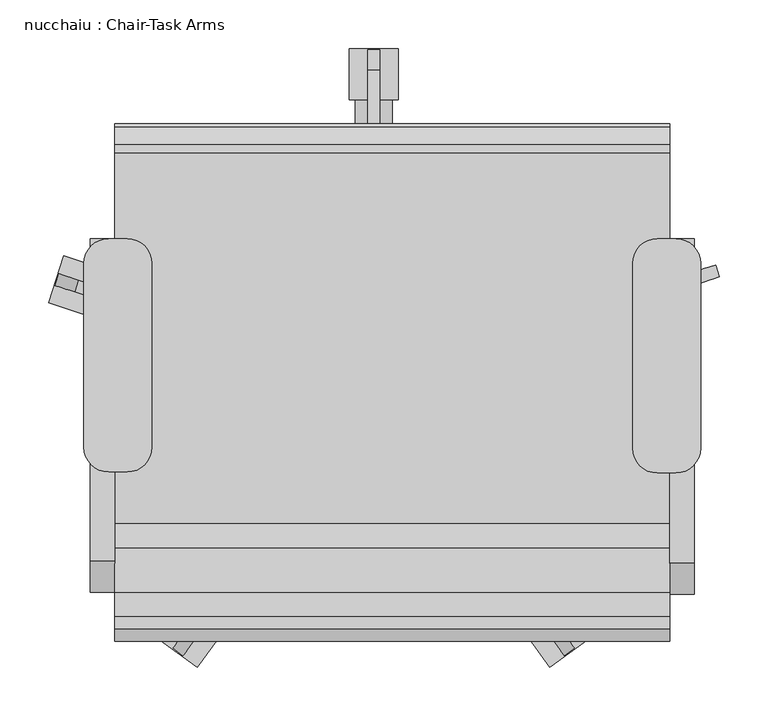
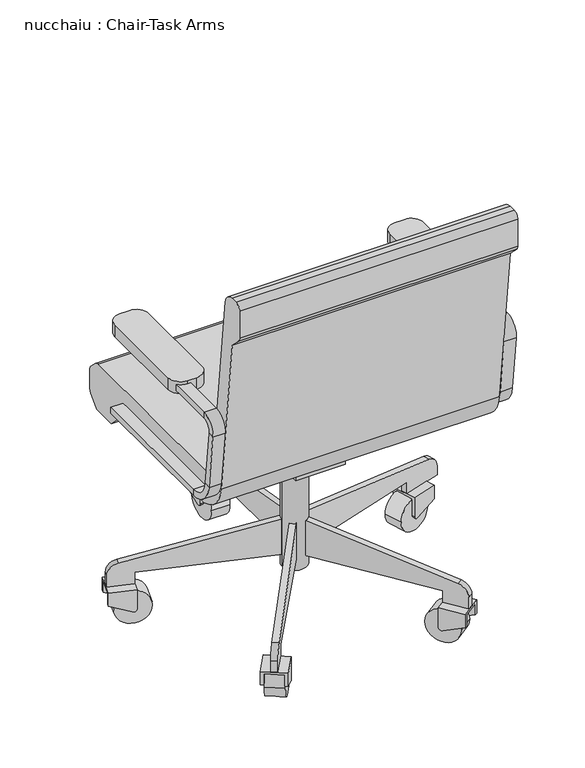
"""IFC4 building model written with IfcOpenShell, lengths in millimetres: furniture geometry, nucchaiu : Chair-Task Arms."""

from ifc_helpers import new_model, si_unit, point, frame, frame_2d, origin, place, context, project, spatial, polyline, circle_curve, trimmed, segment, composite_curve, outline, extrude, source, transform, mapped, element, save
from ifc_brep_helpers import plane_surface, cylinder_surface, revolved_surface, advanced_brep


def nucchaiu_chair_task_arms_656e939c(model_context):
    return source(origin(), model_context, "Body", "SolidModel", [
        advanced_brep(
        [(291.7185294, -231.8051222, 35.3646505), (296.8837257, -238.914405, 29.5011347), (322.5111293, -274.1875, 47.626325), (322.5111293, -274.1875, 76.2), (291.7185294, -231.8051222, 76.2), (327.6483873, -270.4550636, 47.626325), (302.0209837, -235.1819686, 29.5011347), (296.8557874, -228.0726858, 35.3646505), (296.8557874, -228.0726858, 71.9713658), (327.6483873, -270.4550636, 71.9713658), (358.4719347, -248.0604455, 71.9713658), (358.4719347, -248.0604455, 47.626325), (363.6091927, -244.3280092, 47.626325), (363.6091927, -244.3280092, 76.2), (332.8165928, -201.9456314, 76.2), (332.8165928, -201.9456314, 35.3646505), (327.6793348, -205.6780677, 35.3646505), (327.6793348, -205.6780677, 71.9713658), (337.9817891, -209.0549142, 29.5011347), (332.8445311, -212.7873505, 29.5011347)],
        [
            (0, 1, circle_curve(frame((295.4509658, -236.9423801, 35.3646505), z_axis=(-0.8090169943749596, -0.5877852522924568, 0.0), x_axis=(0.5877852522924567, -0.8090169943749593, 0.0)), 6.35)),
            (1, 2),
            (2, 3),
            (3, 4),
            (4, 0),
            (5, 6),
            (6, 7, circle_curve(frame((300.5882237, -233.2099438, 35.3646505), z_axis=(0.8090169943749596, 0.5877852522924568, 0.0), x_axis=(0.5877852522924567, -0.8090169943749593, 0.0)), 6.35)),
            (7, 8),
            (8, 9),
            (9, 5),
            (9, 10),
            (10, 11),
            (11, 12),
            (12, 13),
            (13, 3),
            (2, 5),
            (7, 0),
            (4, 14),
            (14, 15),
            (15, 16),
            (16, 17),
            (17, 8),
            (6, 1),
            (13, 14),
            (17, 10),
            (12, 18),
            (18, 15, circle_curve(frame((336.5490291, -207.0828893, 35.3646505), z_axis=(0.8090169943749596, 0.5877852522924568, 0.0), x_axis=(0.5877852522924567, -0.8090169943749593, 0.0)), 6.35)),
            (16, 19, circle_curve(frame((331.4117712, -210.8153256, 35.3646505), z_axis=(-0.8090169943749596, -0.5877852522924568, 0.0), x_axis=(0.5877852522924567, -0.8090169943749593, 0.0)), 6.35)),
            (19, 11),
            (19, 18),
        ],
        [
            plane_surface(frame((322.5111293, -274.1875, 51.2480075), z_axis=(-0.8090169943749594, -0.5877852522924568, 0.0), x_axis=(0.0, 0.0, 1.0))),
            plane_surface(frame((327.6483873, -270.4550636, 51.2480075), z_axis=(0.8090169943749594, 0.5877852522924568, 0.0), x_axis=(0.0, 0.0, -1.0))),
            plane_surface(frame((322.5111293, -274.1875, 47.626325), z_axis=(0.5877852522924565, -0.8090169943749596, 0.0), x_axis=(0.8090169943749596, 0.5877852522924565, 0.0))),
            plane_surface(frame((291.7185294, -231.8051222, 71.9713658), z_axis=(-0.5877852522924565, 0.8090169943749596, 0.0), x_axis=(0.8090169943749596, 0.5877852522924565, 0.0))),
            cylinder_surface(frame((300.5882237, -233.2099438, 35.3646505), z_axis=(-0.8090169943749593, -0.5877852522924567, 0.0), x_axis=(0.5877852522924567, -0.8090169943749593, 0.0)), 6.35),
            plane_surface(frame((296.8837257, -238.914405, 29.5011347), z_axis=(0.22563148752610931, -0.3105551001199445, -0.9233883049000818), x_axis=(0.8090169943749588, 0.5877852522924576, 0.0))),
            plane_surface(frame((322.5111293, -274.1875, 76.2), z_axis=(0.0, 0.0, 1.0000000000000002), x_axis=(0.8090169943749594, 0.5877852522924568, 0.0))),
            plane_surface(frame((322.5111293, -274.1875, 71.9713658), z_axis=(0.0, 0.0, -1.0000000000000002), x_axis=(-0.8090169943749594, -0.5877852522924568, 0.0))),
            plane_surface(frame((363.6091927, -244.3280092, 76.2), z_axis=(0.8090169943749594, 0.5877852522924568, 0.0), x_axis=(0.0, 0.0, -1.0))),
            plane_surface(frame((336.0207664, -217.1590633, 31.747553), z_axis=(-0.8090169943749594, -0.5877852522924567, 0.0), x_axis=(0.5427540277596028, -0.7470368310712496, 0.38386721450750855))),
            plane_surface(frame((363.6091927, -244.3280092, 47.626325), z_axis=(0.22563148752608875, -0.31055510011995957, -0.9233883049000818), x_axis=(-0.8090169943749591, -0.587785252292457, 0.0))),
            cylinder_surface(frame((331.4117712, -210.8153256, 35.3646505), z_axis=(0.8090169943749593, 0.5877852522924567, 0.0), x_axis=(0.5877852522924567, -0.8090169943749593, 0.0)), 6.35),
        ],
        [
            (0, [[1, 2, 3, 4, 5]]),
            (1, [[6, 7, 8, 9, 10]]),
            (2, [[-10, 11, 12, 13, 14, 15, -3, 16]]),
            (3, [[-8, 17, -5, 18, 19, 20, 21, 22]]),
            (4, [[-1, -17, -7, 23]]),
            (5, [[-2, -23, -6, -16]]),
            (6, [[-15, 24, -18, -4]]),
            (7, [[-9, -22, 25, -11]]),
            (8, [[-19, -24, -14, 26, 27]]),
            (9, [[-12, -25, -21, 28, 29]]),
            (10, [[-26, -13, -29, 30]]),
            (11, [[-27, -30, -28, -20]]),
        ],
    ),
        extrude(outline(composite_curve([segment(trimmed(circle_curve(frame_2d((0.0, -35.321875)), 35.321875), [point((0.0, -70.64375))], [point((0.0, 0.0))], False, "CARTESIAN"), True, "CONTINUOUS"), segment(trimmed(circle_curve(frame_2d((0.0, -35.321875)), 35.321875), [point((0.0, 0.0))], [point((0.0, -70.64375))], False, "CARTESIAN"), True, "CONTINUOUS")], self_intersect=False)), frame((321.3499009, -261.7859409, 35.3646505), z_axis=(0.8090169943749594, 0.5877852522924568, 0.0), x_axis=(0.0, 0.0, 1.0)), (0.0, 0.0, 1.0), 38.1),
        advanced_brep(
        [(-50.9101517, -201.8909966, 35.3646505), (-56.075348, -209.0002794, 29.5011347), (-81.7027516, -244.2733744, 47.626325), (-81.7027516, -244.2733744, 76.2), (-50.9101517, -201.8909966, 76.2), (-76.5654937, -248.0058108, 47.626325), (-50.9380901, -212.7327158, 29.5011347), (-45.7728938, -205.623433, 35.3646505), (-45.7728938, -205.623433, 71.9713658), (-76.5654937, -248.0058108, 71.9713658), (-45.7419462, -270.4004289, 71.9713658), (-45.7419462, -270.4004289, 47.626325), (-40.6046883, -274.1328653, 47.626325), (-40.6046883, -274.1328653, 76.2), (-9.8120884, -231.7504875, 76.2), (-9.8120884, -231.7504875, 35.3646505), (-14.9493463, -228.0180511, 35.3646505), (-14.9493463, -228.0180511, 71.9713658), (-14.9772847, -238.8597703, 29.5011347), (-20.1145426, -235.1273339, 29.5011347)],
        [
            (0, 1, circle_curve(frame((-54.642588, -207.0282546, 35.3646505), z_axis=(-0.8090169943749328, 0.5877852522924935, 0.0), x_axis=(-0.5877852522924933, -0.8090169943749327, 0.0)), 6.35)),
            (1, 2),
            (2, 3),
            (3, 4),
            (4, 0),
            (5, 6),
            (6, 7, circle_curve(frame((-49.5053301, -210.7606909, 35.3646505), z_axis=(0.8090169943749328, -0.5877852522924935, 0.0), x_axis=(-0.5877852522924933, -0.8090169943749327, 0.0)), 6.35)),
            (7, 8),
            (8, 9),
            (9, 5),
            (9, 10),
            (10, 11),
            (11, 12),
            (12, 13),
            (13, 3),
            (2, 5),
            (7, 0),
            (4, 14),
            (14, 15),
            (15, 16),
            (16, 17),
            (17, 8),
            (6, 1),
            (13, 14),
            (17, 10),
            (12, 18),
            (18, 15, circle_curve(frame((-13.5445247, -236.8877454, 35.3646505), z_axis=(0.8090169943749328, -0.5877852522924935, 0.0), x_axis=(-0.5877852522924933, -0.8090169943749327, 0.0)), 6.35)),
            (16, 19, circle_curve(frame((-18.6817826, -233.155309, 35.3646505), z_axis=(-0.8090169943749328, 0.5877852522924935, 0.0), x_axis=(-0.5877852522924933, -0.8090169943749327, 0.0)), 6.35)),
            (19, 11),
            (19, 18),
        ],
        [
            plane_surface(frame((-81.7027516, -244.2733744, 51.2480075), z_axis=(-0.8090169943749328, 0.5877852522924935, 0.0), x_axis=(0.0, 0.0, 1.0))),
            plane_surface(frame((-76.5654937, -248.0058108, 51.2480075), z_axis=(0.8090169943749328, -0.5877852522924935, 0.0), x_axis=(0.0, 0.0, -1.0))),
            plane_surface(frame((-81.7027516, -244.2733744, 47.626325), z_axis=(-0.5877852522924937, -0.8090169943749326, 0.0), x_axis=(0.8090169943749326, -0.5877852522924937, 0.0))),
            plane_surface(frame((-50.9101517, -201.8909966, 71.9713658), z_axis=(0.5877852522924937, 0.8090169943749326, 0.0), x_axis=(0.8090169943749326, -0.5877852522924937, 0.0))),
            cylinder_surface(frame((-49.5053301, -210.7606909, 35.3646505), z_axis=(-0.8090169943749328, 0.5877852522924935, 0.0), x_axis=(-0.5877852522924933, -0.8090169943749327, 0.0)), 6.35),
            plane_surface(frame((-56.075348, -209.0002794, 29.5011347), z_axis=(-0.22563148752610185, -0.31055510011995, -0.9233883049000817), x_axis=(0.8090169943749334, -0.5877852522924926, 0.0))),
            plane_surface(frame((-81.7027516, -244.2733744, 76.2), z_axis=(0.0, 0.0, 1.0000000000000002), x_axis=(0.8090169943749328, -0.5877852522924935, 0.0))),
            plane_surface(frame((-81.7027516, -244.2733744, 71.9713658), z_axis=(0.0, 0.0, -1.0000000000000002), x_axis=(-0.8090169943749328, 0.5877852522924935, 0.0))),
            plane_surface(frame((-40.6046883, -274.1328653, 76.2), z_axis=(0.8090169943749328, -0.5877852522924935, 0.0), x_axis=(0.0, 0.0, -1.0))),
            plane_surface(frame((-23.2907778, -239.4990466, 31.747553), z_axis=(-0.8090169943749328, 0.5877852522924933, 0.0), x_axis=(-0.5427540277596281, -0.7470368310712313, 0.38386721450750866))),
            plane_surface(frame((-40.6046883, -274.1328653, 47.626325), z_axis=(-0.22563148752612247, -0.3105551001199351, -0.923388304900082), x_axis=(-0.809016994374933, 0.5877852522924931, 0.0))),
            cylinder_surface(frame((-18.6817826, -233.155309, 35.3646505), z_axis=(0.8090169943749328, -0.5877852522924935, 0.0), x_axis=(-0.5877852522924933, -0.8090169943749327, 0.0)), 6.35),
        ],
        [
            (0, [[1, 2, 3, 4, 5]]),
            (1, [[6, 7, 8, 9, 10]]),
            (2, [[-10, 11, 12, 13, 14, 15, -3, 16]]),
            (3, [[-8, 17, -5, 18, 19, 20, 21, 22]]),
            (4, [[-1, -17, -7, 23]]),
            (5, [[-2, -23, -6, -16]]),
            (6, [[-15, 24, -18, -4]]),
            (7, [[-9, -22, 25, -11]]),
            (8, [[-19, -24, -14, 26, 27]]),
            (9, [[-12, -25, -21, 28, 29]]),
            (10, [[-26, -13, -29, 30]]),
            (11, [[-27, -30, -28, -20]]),
        ],
    ),
        extrude(outline(composite_curve([segment(trimmed(circle_curve(frame_2d((0.0, -35.321875)), 35.321875), [point((0.0, -70.64375))], [point((0.0, 0.0))], False, "CARTESIAN"), True, "CONTINUOUS"), segment(trimmed(circle_curve(frame_2d((0.0, -35.321875)), 35.321875), [point((0.0, 0.0))], [point((0.0, -70.64375))], False, "CARTESIAN"), True, "CONTINUOUS")], self_intersect=False)), frame((-39.4434598, -261.7313062, 35.3646505), z_axis=(-0.8090169943749328, 0.5877852522924935, 0.0), x_axis=(0.0, 0.0, -1.0)), (0.0, 0.0, 1.0), 38.1),
        advanced_brep(
        [(-128.3382129, 133.2122164, 35.3646505), (-136.695676, 135.9277208, 29.5011347), (-178.1616861, 149.4008442, 47.626325), (-178.1616861, 149.4008442, 76.2), (-128.3382129, 133.2122164, 76.2), (-180.123944, 143.3616353, 47.626325), (-138.6579339, 129.8885119, 29.5011347), (-130.3004708, 127.1730075, 35.3646505), (-130.3004708, 127.1730075, 71.9713658), (-180.123944, 143.3616353, 71.9713658), (-191.8974915, 107.126382, 71.9713658), (-191.8974915, 107.126382, 47.626325), (-193.8597494, 101.0871731, 47.626325), (-193.8597494, 101.0871731, 76.2), (-144.0362762, 84.8985453, 76.2), (-144.0362762, 84.8985453, 35.3646505), (-142.0740183, 90.9377542, 35.3646505), (-142.0740183, 90.9377542, 71.9713658), (-152.3937393, 87.6140497, 29.5011347), (-150.4314814, 93.6532586, 29.5011347)],
        [
            (0, 1, circle_curve(frame((-134.3774217, 135.1744743, 35.3646505), z_axis=(0.3090169943749697, 0.9510565162951464, 0.0), x_axis=(-0.9510565162951464, 0.3090169943749697, 0.0)), 6.35)),
            (1, 2),
            (2, 3),
            (3, 4),
            (4, 0),
            (5, 6),
            (6, 7, circle_curve(frame((-136.3396797, 129.1352654, 35.3646505), z_axis=(-0.3090169943749697, -0.9510565162951464, 0.0), x_axis=(-0.9510565162951464, 0.3090169943749697, 0.0)), 6.35)),
            (7, 8),
            (8, 9),
            (9, 5),
            (9, 10),
            (10, 11),
            (11, 12),
            (12, 13),
            (13, 3),
            (2, 5),
            (7, 0),
            (4, 14),
            (14, 15),
            (15, 16),
            (16, 17),
            (17, 8),
            (6, 1),
            (13, 14),
            (17, 10),
            (12, 18),
            (18, 15, circle_curve(frame((-150.0754851, 86.8608033, 35.3646505), z_axis=(-0.3090169943749697, -0.9510565162951464, 0.0), x_axis=(-0.9510565162951464, 0.3090169943749697, 0.0)), 6.35)),
            (16, 19, circle_curve(frame((-148.1132271, 92.9000121, 35.3646505), z_axis=(0.3090169943749697, 0.9510565162951464, 0.0), x_axis=(-0.9510565162951464, 0.3090169943749697, 0.0)), 6.35)),
            (19, 11),
            (19, 18),
        ],
        [
            plane_surface(frame((-178.1616861, 149.4008442, 51.2480075), z_axis=(0.3090169943749697, 0.9510565162951464, 0.0), x_axis=(0.0, 0.0, 1.0))),
            plane_surface(frame((-180.123944, 143.3616353, 51.2480075), z_axis=(-0.3090169943749697, -0.9510565162951464, 0.0), x_axis=(0.0, 0.0, -1.0))),
            plane_surface(frame((-178.1616861, 149.4008442, 47.626325), z_axis=(-0.9510565162951463, 0.30901699437496993, 0.0), x_axis=(-0.30901699437496993, -0.9510565162951463, 0.0))),
            plane_surface(frame((-128.3382129, 133.2122164, 71.9713658), z_axis=(0.9510565162951463, -0.30901699437496993, 0.0), x_axis=(-0.30901699437496993, -0.9510565162951463, 0.0))),
            cylinder_surface(frame((-136.3396797, 129.1352654, 35.3646505), z_axis=(0.3090169943749697, 0.9510565162951464, 0.0), x_axis=(-0.9510565162951464, 0.3090169943749697, 0.0)), 6.35),
            plane_surface(frame((-136.695676, 135.9277208, 29.5011347), z_axis=(-0.3650794157494369, 0.11862149286618938, -0.9233883049000817), x_axis=(-0.30901699437496866, -0.9510565162951468, 0.0))),
            plane_surface(frame((-178.1616861, 149.4008442, 76.2), z_axis=(0.0, 0.0, 1.0000000000000002), x_axis=(-0.3090169943749697, -0.9510565162951464, 0.0))),
            plane_surface(frame((-178.1616861, 149.4008442, 71.9713658), z_axis=(0.0, 0.0, -1.0000000000000002), x_axis=(0.3090169943749697, 0.9510565162951464, 0.0))),
            plane_surface(frame((-193.8597494, 101.0871731, 76.2), z_axis=(-0.3090169943749697, -0.9510565162951464, 0.0), x_axis=(0.0, 0.0, -1.0))),
            plane_surface(frame((-155.570738, 95.3231043, 31.747553), z_axis=(0.30901699437496977, 0.9510565162951465, 0.0), x_axis=(-0.878194464445954, 0.2853426786212164, 0.38386721450750866))),
            plane_surface(frame((-193.8597494, 101.0871731, 47.626325), z_axis=(-0.36507941574942904, 0.11862149286621361, -0.9233883049000818), x_axis=(0.3090169943749693, 0.9510565162951465, 0.0))),
            cylinder_surface(frame((-148.1132271, 92.9000121, 35.3646505), z_axis=(-0.3090169943749697, -0.9510565162951464, 0.0), x_axis=(-0.9510565162951464, 0.3090169943749697, 0.0)), 6.35),
        ],
        [
            (0, [[1, 2, 3, 4, 5]]),
            (1, [[6, 7, 8, 9, 10]]),
            (2, [[-10, 11, 12, 13, 14, 15, -3, 16]]),
            (3, [[-8, 17, -5, 18, 19, 20, 21, 22]]),
            (4, [[-1, -17, -7, 23]]),
            (5, [[-2, -23, -6, -16]]),
            (6, [[-15, 24, -18, -4]]),
            (7, [[-9, -22, 25, -11]]),
            (8, [[-19, -24, -14, 26, 27]]),
            (9, [[-12, -25, -21, 28, 29]]),
            (10, [[-26, -13, -29, 30]]),
            (11, [[-27, -30, -28, -20]]),
        ],
    ),
        extrude(outline(composite_curve([segment(trimmed(circle_curve(frame_2d((0.0, -35.321875)), 35.321875), [point((0.0, -70.6437499))], [point((0.0, 0.0))], False, "CARTESIAN"), True, "CONTINUOUS"), segment(trimmed(circle_curve(frame_2d((0.0, -35.321875)), 35.321875), [point((0.0, 0.0))], [point((0.0, -70.6437499))], False, "CARTESIAN"), True, "CONTINUOUS")], self_intersect=False)), frame((-181.7063265, 103.8150718, 35.3646505), z_axis=(0.3090169943749697, 0.9510565162951464, 0.0), x_axis=(0.0, 0.0, -1.0)), (0.0, 0.0, 1.0), 38.1),
        advanced_brep(
        [(426.0466387, 84.8101445, 35.3646505), (434.4041019, 87.5256489, 29.5011347), (475.870112, 100.9987723, 47.626325), (475.870112, 100.9987723, 76.2), (426.0466387, 84.8101445, 76.2), (473.907854, 107.0379811, 47.626325), (432.441844, 93.5648577, 29.5011347), (424.0843808, 90.8493534, 35.3646505), (424.0843808, 90.8493534, 71.9713658), (473.907854, 107.0379811, 71.9713658), (462.1343066, 143.2732344, 71.9713658), (462.1343066, 143.2732344, 47.626325), (460.1720486, 149.3124433, 47.626325), (460.1720486, 149.3124433, 76.2), (410.3485754, 133.1238155, 76.2), (410.3485754, 133.1238155, 35.3646505), (412.3108333, 127.0846066, 35.3646505), (412.3108333, 127.0846066, 71.9713658), (418.7060386, 135.8393199, 29.5011347), (420.6682965, 129.800111, 29.5011347)],
        [
            (0, 1, circle_curve(frame((432.0858476, 86.7724024, 35.3646505), z_axis=(0.3090169943749347, -0.9510565162951579, 0.0), x_axis=(0.9510565162951579, 0.3090169943749347, 0.0)), 6.35)),
            (1, 2),
            (2, 3),
            (3, 4),
            (4, 0),
            (5, 6),
            (6, 7, circle_curve(frame((430.1235897, 92.8116113, 35.3646505), z_axis=(-0.3090169943749347, 0.9510565162951579, 0.0), x_axis=(0.9510565162951579, 0.3090169943749347, 0.0)), 6.35)),
            (7, 8),
            (8, 9),
            (9, 5),
            (9, 10),
            (10, 11),
            (11, 12),
            (12, 13),
            (13, 3),
            (2, 5),
            (7, 0),
            (4, 14),
            (14, 15),
            (15, 16),
            (16, 17),
            (17, 8),
            (6, 1),
            (13, 14),
            (17, 10),
            (12, 18),
            (18, 15, circle_curve(frame((416.3877843, 135.0860734, 35.3646505), z_axis=(-0.3090169943749347, 0.9510565162951579, 0.0), x_axis=(0.9510565162951579, 0.3090169943749347, 0.0)), 6.35)),
            (16, 19, circle_curve(frame((418.3500422, 129.0468645, 35.3646505), z_axis=(0.3090169943749347, -0.9510565162951579, 0.0), x_axis=(0.9510565162951579, 0.3090169943749347, 0.0)), 6.35)),
            (19, 11),
            (19, 18),
        ],
        [
            plane_surface(frame((475.870112, 100.9987723, 51.2480075), z_axis=(0.3090169943749347, -0.9510565162951579, 0.0), x_axis=(0.0, 0.0, 1.0))),
            plane_surface(frame((473.907854, 107.0379811, 51.2480075), z_axis=(-0.3090169943749347, 0.9510565162951579, 0.0), x_axis=(0.0, 0.0, -1.0))),
            plane_surface(frame((475.870112, 100.9987723, 47.626325), z_axis=(0.9510565162951578, 0.3090169943749344, 0.0), x_axis=(-0.3090169943749344, 0.9510565162951578, 0.0))),
            plane_surface(frame((426.0466387, 84.8101445, 71.9713658), z_axis=(-0.9510565162951578, -0.3090169943749344, 0.0), x_axis=(-0.3090169943749344, 0.9510565162951578, 0.0))),
            cylinder_surface(frame((430.1235897, 92.8116113, 35.3646505), z_axis=(0.3090169943749347, -0.9510565162951579, 0.0), x_axis=(0.9510565162951579, 0.3090169943749347, 0.0)), 6.35),
            plane_surface(frame((434.4041019, 87.5256489, 29.5011347), z_axis=(0.365079415749433, 0.11862149286620129, -0.9233883049000817), x_axis=(-0.3090169943749357, 0.9510565162951573, 0.0))),
            plane_surface(frame((475.870112, 100.9987723, 76.2), z_axis=(0.0, 0.0, 1.0000000000000002), x_axis=(-0.3090169943749347, 0.9510565162951579, 0.0))),
            plane_surface(frame((475.870112, 100.9987723, 71.9713658), z_axis=(0.0, 0.0, -1.0000000000000002), x_axis=(0.3090169943749347, -0.9510565162951579, 0.0))),
            plane_surface(frame((460.1720486, 149.3124433, 76.2), z_axis=(-0.3090169943749347, 0.9510565162951579, 0.0), x_axis=(0.0, 0.0, -1.0))),
            plane_surface(frame((425.807553, 131.4699567, 31.747553), z_axis=(0.3090169943749347, -0.9510565162951578, 0.0), x_axis=(0.878194464445961, 0.28534267862119406, 0.38386721450750855))),
            plane_surface(frame((460.1720486, 149.3124433, 47.626325), z_axis=(0.3650794157494409, 0.11862149286617707, -0.9233883049000818), x_axis=(0.3090169943749351, -0.9510565162951578, 0.0))),
            cylinder_surface(frame((418.3500422, 129.0468645, 35.3646505), z_axis=(-0.3090169943749347, 0.9510565162951579, 0.0), x_axis=(0.9510565162951579, 0.3090169943749347, 0.0)), 6.35),
        ],
        [
            (0, [[1, 2, 3, 4, 5]]),
            (1, [[6, 7, 8, 9, 10]]),
            (2, [[-10, 11, 12, 13, 14, 15, -3, 16]]),
            (3, [[-8, 17, -5, 18, 19, 20, 21, 22]]),
            (4, [[-1, -17, -7, 23]]),
            (5, [[-2, -23, -6, -16]]),
            (6, [[-15, 24, -18, -4]]),
            (7, [[-9, -22, 25, -11]]),
            (8, [[-19, -24, -14, 26, 27]]),
            (9, [[-12, -25, -21, 28, 29]]),
            (10, [[-26, -13, -29, 30]]),
            (11, [[-27, -30, -28, -20]]),
        ],
    ),
        extrude(outline(composite_curve([segment(trimmed(circle_curve(frame_2d((0.0, -35.321875)), 35.321875), [point((0.0, -70.64375))], [point((0.0, 0.0))], False, "CARTESIAN"), True, "CONTINUOUS"), segment(trimmed(circle_curve(frame_2d((0.0, -35.321875)), 35.321875), [point((0.0, 0.0))], [point((0.0, -70.64375))], False, "CARTESIAN"), True, "CONTINUOUS")], self_intersect=False)), frame((463.7166891, 103.7266709, 35.3646505), z_axis=(-0.3090169943749347, 0.9510565162951579, 0.0), x_axis=(0.0, 0.0, 1.0)), (0.0, 0.0, 1.0), 38.1),
        advanced_brep(
        [(166.4372948, 310.4032662, 35.3646505), (166.4372948, 319.190823, 29.5011347), (166.4372948, 362.7907662, 47.626325), (166.4372948, 362.7907662, 76.2), (166.4372948, 310.4032662, 76.2), (160.0872948, 362.7907662, 47.626325), (160.0872948, 319.190823, 29.5011347), (160.0872948, 310.4032662, 35.3646505), (160.0872948, 310.4032662, 71.9713658), (160.0872948, 362.7907662, 71.9713658), (121.9872948, 362.7907662, 71.9713658), (121.9872948, 362.7907662, 47.626325), (115.6372948, 362.7907662, 47.626325), (115.6372948, 362.7907662, 76.2), (115.6372948, 310.4032662, 76.2), (115.6372948, 310.4032662, 35.3646505), (121.9872948, 310.4032662, 35.3646505), (121.9872948, 310.4032662, 71.9713658), (115.6372948, 319.190823, 29.5011347), (121.9872948, 319.190823, 29.5011347)],
        [
            (0, 1, circle_curve(frame((166.4372948, 316.7532662, 35.3646505), z_axis=(1.0, 0.0, 0.0), x_axis=(0.0, 1.0, 0.0)), 6.35)),
            (1, 2),
            (2, 3),
            (3, 4),
            (4, 0),
            (5, 6),
            (6, 7, circle_curve(frame((160.0872948, 316.7532662, 35.3646505), z_axis=(-1.0, 0.0, 0.0), x_axis=(0.0, 1.0, 0.0)), 6.35)),
            (7, 8),
            (8, 9),
            (9, 5),
            (9, 10),
            (10, 11),
            (11, 12),
            (12, 13),
            (13, 3),
            (2, 5),
            (7, 0),
            (4, 14),
            (14, 15),
            (15, 16),
            (16, 17),
            (17, 8),
            (6, 1),
            (13, 14),
            (17, 10),
            (12, 18),
            (18, 15, circle_curve(frame((115.6372948, 316.7532662, 35.3646505), z_axis=(-1.0, 0.0, 0.0), x_axis=(0.0, 1.0, 0.0)), 6.35)),
            (16, 19, circle_curve(frame((121.9872948, 316.7532662, 35.3646505), z_axis=(1.0, 0.0, 0.0), x_axis=(0.0, 1.0, 0.0)), 6.35)),
            (19, 11),
            (19, 18),
        ],
        [
            plane_surface(frame((166.4372948, 362.7907662, 51.2480075), z_axis=(1.0, 0.0, 0.0), x_axis=(0.0, 0.0, 1.0))),
            plane_surface(frame((160.0872948, 362.7907662, 51.2480075), z_axis=(-1.0, 0.0, 0.0), x_axis=(0.0, 0.0, -1.0))),
            plane_surface(frame((166.4372948, 362.7907662, 47.626325), z_axis=(0.0, 1.0, 0.0), x_axis=(-1.0, 0.0, 0.0))),
            plane_surface(frame((166.4372948, 310.4032662, 71.9713658), z_axis=(0.0, -1.0, 0.0), x_axis=(-1.0, 0.0, 0.0))),
            cylinder_surface(frame((160.0872948, 316.7532662, 35.3646505), z_axis=(1.0, 0.0, 0.0), x_axis=(0.0, 1.0, 0.0)), 6.35),
            plane_surface(frame((166.4372948, 319.190823, 29.5011347), z_axis=(0.0, 0.38386721450750866, -0.9233883049000818), x_axis=(-1.0, 0.0, 0.0))),
            plane_surface(frame((166.4372948, 362.7907662, 76.2), z_axis=(0.0, 0.0, 1.0), x_axis=(-1.0, 0.0, 0.0))),
            plane_surface(frame((166.4372948, 362.7907662, 71.9713658), z_axis=(0.0, 0.0, -1.0), x_axis=(1.0, 0.0, 0.0))),
            plane_surface(frame((115.6372948, 362.7907662, 76.2), z_axis=(-1.0, 0.0, 0.0), x_axis=(0.0, 0.0, -1.0))),
            plane_surface(frame((121.9872948, 324.5945571, 31.747553), z_axis=(1.0000000000000002, 0.0, 0.0), x_axis=(0.0, 0.9233883049000818, 0.38386721450750866))),
            plane_surface(frame((115.6372948, 362.7907662, 47.626325), z_axis=(0.0, 0.38386721450750866, -0.9233883049000818), x_axis=(1.0, 0.0, 0.0))),
            cylinder_surface(frame((121.9872948, 316.7532662, 35.3646505), z_axis=(-1.0, 0.0, 0.0), x_axis=(0.0, 1.0, 0.0)), 6.35),
        ],
        [
            (0, [[1, 2, 3, 4, 5]]),
            (1, [[6, 7, 8, 9, 10]]),
            (2, [[-10, 11, 12, 13, 14, 15, -3, 16]]),
            (3, [[-8, 17, -5, 18, 19, 20, 21, 22]]),
            (4, [[-1, -17, -7, 23]]),
            (5, [[-2, -23, -6, -16]]),
            (6, [[-15, 24, -18, -4]]),
            (7, [[-9, -22, 25, -11]]),
            (8, [[-19, -24, -14, 26, 27]]),
            (9, [[-12, -25, -21, 28, 29]]),
            (10, [[-26, -13, -29, 30]]),
            (11, [[-27, -30, -28, -20]]),
        ],
    ),
        extrude(outline(composite_curve([segment(trimmed(circle_curve(frame_2d((316.7532662, 35.3646505)), 35.321875), [point((281.4313912, 35.3646505))], [point((352.0751412, 35.3646505))], False, "CARTESIAN"), True, "CONTINUOUS"), segment(trimmed(circle_curve(frame_2d((316.7532662, 35.3646505)), 35.321875), [point((352.0751412, 35.3646505))], [point((281.4313912, 35.3646505))], False, "CARTESIAN"), True, "CONTINUOUS")], self_intersect=False)), frame((121.9872948, 0.0, 0.0), z_axis=(1.0, 0.0, 0.0), x_axis=(0.0, 1.0, 0.0)), (0.0, 0.0, 1.0), 38.1),
        extrude(outline(composite_curve([segment(polyline([(452.1408197, -74.2028048), (433.0908197, -74.2028048)]), True, "CONTINUOUS"), segment(trimmed(circle_curve(frame_2d((433.0908197, -48.8028048)), 25.4), [point((433.0908197, -74.2028048))], [point((407.6908197, -48.8028048))], False, "CARTESIAN"), True, "CONTINUOUS"), segment(polyline([(407.6908197, -48.8028048), (407.6908197, 141.6319091)]), True, "CONTINUOUS"), segment(trimmed(circle_curve(frame_2d((433.0908197, 141.6319091)), 25.4), [point((407.6908197, 141.6319091))], [point((433.0908197, 167.0319091))], False, "CARTESIAN"), True, "CONTINUOUS"), segment(polyline([(433.0908197, 167.0319091), (452.1408197, 167.0319091)]), True, "CONTINUOUS"), segment(trimmed(circle_curve(frame_2d((452.1408197, 141.6319091)), 25.4), [point((452.1408197, 167.0319091))], [point((477.5408197, 141.6319091))], False, "CARTESIAN"), True, "CONTINUOUS"), segment(polyline([(477.5408197, 141.6319091), (477.5408197, -48.8028048)]), True, "CONTINUOUS"), segment(trimmed(circle_curve(frame_2d((452.1408197, -48.8028048)), 25.4), [point((477.5408197, -48.8028048))], [point((452.1408197, -74.2028048))], False, "CARTESIAN"), True, "CONTINUOUS")], self_intersect=False)), frame((0.0, 0.0, 596.9), z_axis=(0.0, 0.0, 1.0), x_axis=(1.0, 0.0, 0.0)), (0.0, 0.0, 1.0), 25.4),
        extrude(outline(composite_curve([segment(polyline([(-113.0091803, -73.1575984), (-132.0591803, -73.1575984)]), True, "CONTINUOUS"), segment(trimmed(circle_curve(frame_2d((-132.0591803, -47.7575984)), 25.4), [point((-132.0591803, -73.1575984))], [point((-157.4591803, -47.7575984))], False, "CARTESIAN"), True, "CONTINUOUS"), segment(polyline([(-157.4591803, -47.7575984), (-157.4591803, 141.6319091)]), True, "CONTINUOUS"), segment(trimmed(circle_curve(frame_2d((-132.0591803, 141.6319091)), 25.4), [point((-157.4591803, 141.6319091))], [point((-132.0591803, 167.0319091))], False, "CARTESIAN"), True, "CONTINUOUS"), segment(polyline([(-132.0591803, 167.0319091), (-113.0091803, 167.0319091)]), True, "CONTINUOUS"), segment(trimmed(circle_curve(frame_2d((-113.0091803, 141.6319091)), 25.4), [point((-113.0091803, 167.0319091))], [point((-87.6091803, 141.6319091))], False, "CARTESIAN"), True, "CONTINUOUS"), segment(polyline([(-87.6091803, 141.6319091), (-87.6091803, -47.7575984)]), True, "CONTINUOUS"), segment(trimmed(circle_curve(frame_2d((-113.0091803, -47.7575984)), 25.4), [point((-87.6091803, -47.7575984))], [point((-113.0091803, -73.1575984))], False, "CARTESIAN"), True, "CONTINUOUS")], self_intersect=False)), frame((0.0, 0.0, 596.9), z_axis=(0.0, 0.0, 1.0), x_axis=(1.0, 0.0, 0.0)), (0.0, 0.0, 1.0), 25.4),
        advanced_brep(
        [(-151.1091803, 167.0319091, 412.75), (-151.1091803, 167.0319091, 425.45), (-125.7091803, 167.0319091, 425.45), (-125.7091803, 167.0319091, 412.75), (-151.1091803, -126.2388651, 412.75), (-151.1091803, -126.2388651, 425.45), (-125.7091803, -126.2388651, 425.45), (-125.7091803, -126.2388651, 412.75), (-151.1091803, -170.3844094, 464.7064065), (-151.1091803, -182.9974221, 463.2225227), (-125.7091803, -170.3844094, 464.7064065), (-125.7091803, -182.9974221, 463.2225227), (-151.1091803, -196.7936301, 580.4902904), (-151.1091803, -184.1806174, 581.9741742), (-125.7091803, -184.1806174, 581.9741742), (-125.7091803, -196.7936301, 580.4902904), (-151.1091803, -165.2610984, 603.25), (-151.1091803, -165.2610984, 615.95), (-125.7091803, -165.2610984, 603.25), (-125.7091803, -165.2610984, 615.95), (-151.1091803, 18.9459016, 615.95), (-125.7091803, 18.9459016, 615.95), (-125.7091803, 18.9459016, 603.25), (-151.1091803, 18.9459016, 603.25)],
        [
            (0, 1),
            (1, 2),
            (2, 3),
            (3, 0),
            (0, 4),
            (4, 5),
            (5, 1),
            (5, 6),
            (6, 2),
            (6, 7),
            (7, 3),
            (7, 4),
            (8, 5, circle_curve(frame((-151.1091803, -126.2388651, 469.9), z_axis=(1.0, 0.0, 0.0), x_axis=(0.0, 0.0, -1.0)), 44.45)),
            (4, 9, circle_curve(frame((-151.1091803, -126.2388651, 469.9), z_axis=(-1.0, 0.0, 0.0), x_axis=(0.0, 0.0, -1.0)), 57.15)),
            (9, 8),
            (10, 6, circle_curve(frame((-125.7091803, -126.2388651, 469.9), z_axis=(1.0, 0.0, 0.0), x_axis=(0.0, 0.0, -1.0)), 44.45)),
            (8, 10),
            (11, 7, circle_curve(frame((-125.7091803, -126.2388651, 469.9), z_axis=(1.0, 0.0, 0.0), x_axis=(0.0, 0.0, -1.0)), 57.15)),
            (10, 11),
            (11, 9),
            (9, 12),
            (12, 13),
            (13, 8),
            (13, 14),
            (14, 10),
            (14, 15),
            (15, 11),
            (15, 12),
            (16, 13, circle_curve(frame((-151.1091803, -165.2610984, 584.2), z_axis=(1.0, 0.0, 0.0), x_axis=(0.0, -0.9931506043228768, -0.11684124756739202)), 19.05)),
            (12, 17, circle_curve(frame((-151.1091803, -165.2610984, 584.2), z_axis=(-1.0, 0.0, 0.0), x_axis=(0.0, -0.9931506043228768, -0.11684124756739202)), 31.75)),
            (17, 16),
            (18, 14, circle_curve(frame((-125.7091803, -165.2610984, 584.2), z_axis=(1.0, 0.0, 0.0), x_axis=(0.0, -0.9931506043228768, -0.11684124756739202)), 19.05)),
            (16, 18),
            (19, 15, circle_curve(frame((-125.7091803, -165.2610984, 584.2), z_axis=(1.0, 0.0, 0.0), x_axis=(0.0, -0.9931506043228768, -0.11684124756739202)), 31.75)),
            (18, 19),
            (19, 17),
            (20, 21),
            (21, 22),
            (22, 23),
            (23, 20),
            (17, 20),
            (23, 16),
            (22, 18),
            (21, 19),
        ],
        [
            plane_surface(frame((-151.8909011, 167.0319091, 419.1), z_axis=(0.0, 1.0, 0.0), x_axis=(0.0, 0.0, -1.0))),
            plane_surface(frame((-151.1091803, 167.0319091, 412.75), z_axis=(-1.0, 0.0, 0.0), x_axis=(0.0, -1.0, 0.0))),
            plane_surface(frame((-151.1091803, 167.0319091, 425.45), z_axis=(0.0, 0.0, 1.0), x_axis=(0.0, -1.0, 0.0))),
            plane_surface(frame((-125.7091803, 167.0319091, 425.45), z_axis=(1.0, 0.0, 0.0), x_axis=(0.0, -1.0, 0.0))),
            plane_surface(frame((-125.7091803, 167.0319091, 412.75), z_axis=(0.0, 0.0, -1.0), x_axis=(0.0, -1.0, 0.0))),
            plane_surface(frame((-151.1091803, -126.2388651, 469.9), z_axis=(-1.0, 0.0, 0.0), x_axis=(0.0, 0.0, -1.0))),
            revolved_surface(polyline([(-151.1091803, -126.2388651, 425.45), (-125.7091803, -126.2388651, 425.45)]), (-125.7091803, -126.2388651, 469.9), (-1.0, 0.0, 0.0)),
            plane_surface(frame((-125.7091803, -126.2388651, 469.9), z_axis=(1.0, 0.0, 0.0), x_axis=(0.0, 0.0, -1.0))),
            cylinder_surface(frame((-125.7091803, -126.2388651, 469.9), z_axis=(-1.0, 0.0, 0.0), x_axis=(0.0, 0.0, -1.0)), 57.15),
            plane_surface(frame((-151.1091803, -182.9974221, 463.2225227), z_axis=(-1.0, 0.0, 0.0), x_axis=(0.0, -0.1168412475673856, 0.9931506043228776))),
            plane_surface(frame((-151.1091803, -170.3844094, 464.7064065), z_axis=(0.0, 0.9931506043228776, 0.1168412475673856), x_axis=(0.0, -0.1168412475673856, 0.9931506043228776))),
            plane_surface(frame((-125.7091803, -170.3844094, 464.7064065), z_axis=(1.0, 0.0, 0.0), x_axis=(0.0, -0.1168412475673856, 0.9931506043228776))),
            plane_surface(frame((-125.7091803, -182.9974221, 463.2225227), z_axis=(0.0, -0.9931506043228776, -0.1168412475673856), x_axis=(0.0, -0.1168412475673856, 0.9931506043228776))),
            plane_surface(frame((-151.1091803, -165.2610984, 584.2), z_axis=(-1.0, 0.0, 0.0), x_axis=(0.0, -0.9931506043228768, -0.11684124756739202))),
            revolved_surface(polyline([(-151.1091803, -184.1806174123508, 581.9741742338413), (-125.7091803, -184.1806174123508, 581.9741742338413)]), (-125.7091803, -165.2610984, 584.2), (-1.0, 0.0, 0.0)),
            plane_surface(frame((-125.7091803, -165.2610984, 584.2), z_axis=(1.0, 0.0, 0.0), x_axis=(0.0, -0.9931506043228768, -0.11684124756739202))),
            cylinder_surface(frame((-125.7091803, -165.2610984, 584.2), z_axis=(-1.0, 0.0, 0.0), x_axis=(0.0, -0.9931506043228768, -0.11684124756739202)), 31.75),
            plane_surface(frame((-151.8909011, 18.9459016, 609.6), z_axis=(0.0, 1.0, 0.0), x_axis=(0.0, 0.0, 1.0))),
            plane_surface(frame((-151.1091803, -165.2610984, 615.95), z_axis=(-1.0, 0.0, 0.0), x_axis=(0.0, 1.0, 0.0))),
            plane_surface(frame((-151.1091803, -165.2610984, 603.25), z_axis=(0.0, 0.0, -1.0), x_axis=(0.0, 1.0, 0.0))),
            plane_surface(frame((-125.7091803, -165.2610984, 603.25), z_axis=(1.0, 0.0, 0.0), x_axis=(0.0, 1.0, 0.0))),
            plane_surface(frame((-125.7091803, -165.2610984, 615.95), z_axis=(0.0, 0.0, 1.0), x_axis=(0.0, 1.0, 0.0))),
        ],
        [
            (0, [[1, 2, 3, 4]]),
            (1, [[-1, 5, 6, 7]]),
            (2, [[-2, -7, 8, 9]]),
            (3, [[-3, -9, 10, 11]]),
            (4, [[-4, -11, 12, -5]]),
            (5, [[13, -6, 14, 15]]),
            (6, [[16, -8, -13, 17]]),
            (7, [[18, -10, -16, 19]]),
            (8, [[-14, -12, -18, 20]]),
            (9, [[-15, 21, 22, 23]]),
            (10, [[-17, -23, 24, 25]]),
            (11, [[-19, -25, 26, 27]]),
            (12, [[-20, -27, 28, -21]]),
            (13, [[29, -22, 30, 31]]),
            (14, [[32, -24, -29, 33]]),
            (15, [[34, -26, -32, 35]]),
            (16, [[-30, -28, -34, 36]]),
            (17, [[37, 38, 39, 40]]),
            (18, [[-31, 41, -40, 42]]),
            (19, [[-33, -42, -39, 43]]),
            (20, [[-35, -43, -38, 44]]),
            (21, [[-36, -44, -37, -41]]),
        ],
    ),
        advanced_brep(
        [(471.1908197, 167.0319091, 425.45), (471.1908197, 167.0319091, 412.75), (445.7908197, 167.0319091, 412.75), (445.7908197, 167.0319091, 425.45), (471.1908197, -128.329278, 425.45), (471.1908197, -128.329278, 412.75), (445.7908197, -128.329278, 412.75), (445.7908197, -128.329278, 425.45), (471.1908197, -185.0878351, 463.2225227), (471.1908197, -172.4748224, 464.7064065), (445.7908197, -185.0878351, 463.2225227), (445.7908197, -172.4748224, 464.7064065), (471.1908197, -186.2710303, 581.9741742), (471.1908197, -198.884043, 580.4902904), (445.7908197, -198.884043, 580.4902904), (445.7908197, -186.2710303, 581.9741742), (471.1908197, -167.3515113, 615.95), (471.1908197, -167.3515113, 603.25), (445.7908197, -167.3515113, 615.95), (445.7908197, -167.3515113, 603.25), (471.1908197, 18.9459016, 603.25), (445.7908197, 18.9459016, 603.25), (445.7908197, 18.9459016, 615.95), (471.1908197, 18.9459016, 615.95)],
        [
            (0, 1),
            (1, 2),
            (2, 3),
            (3, 0),
            (0, 4),
            (4, 5),
            (5, 1),
            (5, 6),
            (6, 2),
            (6, 7),
            (7, 3),
            (7, 4),
            (8, 5, circle_curve(frame((471.1908197, -128.329278, 469.9), z_axis=(1.0, 0.0, 0.0), x_axis=(0.0, 0.0, -1.0)), 57.15)),
            (4, 9, circle_curve(frame((471.1908197, -128.329278, 469.9), z_axis=(-1.0, 0.0, 0.0), x_axis=(0.0, 0.0, -1.0)), 44.45)),
            (9, 8),
            (10, 6, circle_curve(frame((445.7908197, -128.329278, 469.9), z_axis=(1.0, 0.0, 0.0), x_axis=(0.0, 0.0, -1.0)), 57.15)),
            (8, 10),
            (11, 7, circle_curve(frame((445.7908197, -128.329278, 469.9), z_axis=(1.0, 0.0, 0.0), x_axis=(0.0, 0.0, -1.0)), 44.45)),
            (10, 11),
            (11, 9),
            (9, 12),
            (12, 13),
            (13, 8),
            (13, 14),
            (14, 10),
            (14, 15),
            (15, 11),
            (15, 12),
            (16, 13, circle_curve(frame((471.1908197, -167.3515113, 584.2), z_axis=(1.0, 0.0, 0.0), x_axis=(0.0, -0.9931506043228767, -0.1168412475673929)), 31.75)),
            (12, 17, circle_curve(frame((471.1908197, -167.3515113, 584.2), z_axis=(-1.0, 0.0, 0.0), x_axis=(0.0, -0.9931506043228767, -0.1168412475673929)), 19.05)),
            (17, 16),
            (18, 14, circle_curve(frame((445.7908197, -167.3515113, 584.2), z_axis=(1.0, 0.0, 0.0), x_axis=(0.0, -0.9931506043228767, -0.1168412475673929)), 31.75)),
            (16, 18),
            (19, 15, circle_curve(frame((445.7908197, -167.3515113, 584.2), z_axis=(1.0, 0.0, 0.0), x_axis=(0.0, -0.9931506043228767, -0.1168412475673929)), 19.05)),
            (18, 19),
            (19, 17),
            (20, 21),
            (21, 22),
            (22, 23),
            (23, 20),
            (17, 20),
            (23, 16),
            (22, 18),
            (21, 19),
        ],
        [
            plane_surface(frame((419.6090989, 167.0319091, 419.1), z_axis=(0.0, 1.0, 0.0), x_axis=(0.0, 0.0, -1.0))),
            plane_surface(frame((471.1908197, 167.0319091, 425.45), z_axis=(1.0, 0.0, 0.0), x_axis=(0.0, -1.0, 0.0))),
            plane_surface(frame((471.1908197, 167.0319091, 412.75), z_axis=(0.0, 0.0, -1.0), x_axis=(0.0, -1.0, 0.0))),
            plane_surface(frame((445.7908197, 167.0319091, 412.75), z_axis=(-1.0, 0.0, 0.0), x_axis=(0.0, -1.0, 0.0))),
            plane_surface(frame((445.7908197, 167.0319091, 425.45), z_axis=(0.0, 0.0, 1.0), x_axis=(0.0, -1.0, 0.0))),
            plane_surface(frame((471.1908197, -128.329278, 469.9), z_axis=(1.0, 0.0, 0.0), x_axis=(0.0, 0.0, -1.0))),
            cylinder_surface(frame((445.7908197, -128.329278, 469.9), z_axis=(-1.0, 0.0, 0.0), x_axis=(0.0, 0.0, -1.0)), 57.15),
            plane_surface(frame((445.7908197, -128.329278, 469.9), z_axis=(-1.0, 0.0, 0.0), x_axis=(0.0, 0.0, -1.0))),
            revolved_surface(polyline([(445.7908197, -128.329278, 425.45), (471.1908197, -128.329278, 425.45)]), (445.7908197, -128.329278, 469.9), (-1.0, 0.0, 0.0)),
            plane_surface(frame((471.1908197, -172.4748224, 464.7064065), z_axis=(1.0, 0.0, 0.0), x_axis=(0.0, -0.11684124756738626, 0.9931506043228775))),
            plane_surface(frame((471.1908197, -185.0878351, 463.2225227), z_axis=(0.0, -0.9931506043228775, -0.11684124756738619), x_axis=(0.0, -0.11684124756738619, 0.9931506043228775))),
            plane_surface(frame((445.7908197, -185.0878351, 463.2225227), z_axis=(-1.0, 0.0, 0.0), x_axis=(0.0, -0.11684124756738619, 0.9931506043228775))),
            plane_surface(frame((445.7908197, -172.4748224, 464.7064065), z_axis=(0.0, 0.9931506043228775, 0.11684124756738626), x_axis=(0.0, -0.11684124756738626, 0.9931506043228775))),
            plane_surface(frame((471.1908197, -167.3515113, 584.2), z_axis=(1.0, 0.0, 0.0), x_axis=(0.0, -0.9931506043228767, -0.1168412475673929))),
            cylinder_surface(frame((445.7908197, -167.3515113, 584.2), z_axis=(-1.0, 0.0, 0.0), x_axis=(0.0, -0.9931506043228767, -0.1168412475673929)), 31.75),
            plane_surface(frame((445.7908197, -167.3515113, 584.2), z_axis=(-1.0, 0.0, 0.0), x_axis=(0.0, -0.9931506043228767, -0.1168412475673929))),
            revolved_surface(polyline([(445.7908197, -186.2710303123508, 581.9741742338412), (471.1908197, -186.2710303123508, 581.9741742338412)]), (445.7908197, -167.3515113, 584.2), (-1.0, 0.0, 0.0)),
            plane_surface(frame((419.6090989, 18.9459016, 609.6), z_axis=(0.0, 1.0, 0.0), x_axis=(0.0, 0.0, 1.0))),
            plane_surface(frame((471.1908197, -167.3515113, 603.25), z_axis=(1.0, 0.0, 0.0), x_axis=(0.0, 1.0, 0.0))),
            plane_surface(frame((471.1908197, -167.3515113, 615.95), z_axis=(0.0, 0.0, 1.0), x_axis=(0.0, 1.0, 0.0))),
            plane_surface(frame((445.7908197, -167.3515113, 615.95), z_axis=(-1.0, 0.0, 0.0), x_axis=(0.0, 1.0, 0.0))),
            plane_surface(frame((445.7908197, -167.3515113, 603.25), z_axis=(0.0, 0.0, -1.0), x_axis=(0.0, 1.0, 0.0))),
        ],
        [
            (0, [[1, 2, 3, 4]]),
            (1, [[-1, 5, 6, 7]]),
            (2, [[-2, -7, 8, 9]]),
            (3, [[-3, -9, 10, 11]]),
            (4, [[-4, -11, 12, -5]]),
            (5, [[13, -6, 14, 15]]),
            (6, [[16, -8, -13, 17]]),
            (7, [[18, -10, -16, 19]]),
            (8, [[-14, -12, -18, 20]]),
            (9, [[-15, 21, 22, 23]]),
            (10, [[-17, -23, 24, 25]]),
            (11, [[-19, -25, 26, 27]]),
            (12, [[-20, -27, 28, -21]]),
            (13, [[29, -22, 30, 31]]),
            (14, [[32, -24, -29, 33]]),
            (15, [[34, -26, -32, 35]]),
            (16, [[-30, -28, -34, 36]]),
            (17, [[37, 38, 39, 40]]),
            (18, [[-31, 41, -40, 42]]),
            (19, [[-33, -42, -39, 43]]),
            (20, [[-35, -43, -38, 44]]),
            (21, [[-36, -44, -37, -41]]),
        ],
    ),
        extrude(outline(composite_curve([segment(trimmed(circle_curve(frame_2d((140.9908197, 18.9459016)), 25.4), [point((115.5908197, 18.9459016))], [point((166.3908197, 18.9459016))], False, "CARTESIAN"), True, "CONTINUOUS"), segment(trimmed(circle_curve(frame_2d((140.9908197, 18.9459016)), 25.4), [point((166.3908197, 18.9459016))], [point((115.5908197, 18.9459016))], False, "CARTESIAN"), True, "CONTINUOUS")], self_intersect=False)), frame((0.0, 0.0, 76.2), z_axis=(0.0, 0.0, 1.0), x_axis=(1.0, 0.0, 0.0)), (0.0, 0.0, 1.0), 307.975),
        extrude(outline(composite_curve([segment(polyline([(-25.4, 0.0), (0.0, 0.0), (0.0, -80.1968585), (-19.1195937, -80.1968585)]), True, "CONTINUOUS"), segment(trimmed(circle_curve(frame_2d((-19.1195937, -54.7968586)), 25.4), [point((-19.1195937, -80.1968585))], [point((-44.1337106, -59.2075223))], False, "CARTESIAN"), True, "CONTINUOUS"), segment(polyline([(-44.1337106, -59.2075223), (-101.6, 266.7), (-101.6, 292.1), (-25.4, 292.1), (-25.4, 0.0)]), True, "CONTINUOUS")], self_intersect=False)), frame((420.756686, 103.1705568, 76.2), z_axis=(-0.3090169943749423, 0.9510565162951553, 0.0), x_axis=(0.0, 0.0, -1.0)), (0.0, 0.0, 1.0), 12.7),
        extrude(outline(composite_curve([segment(polyline([(-25.4, 0.0), (0.0, 0.0), (0.0, -50.8), (-24.303053, -50.8)]), True, "CONTINUOUS"), segment(trimmed(circle_curve(frame_2d((-24.303053, -25.3999999)), 25.4), [point((-24.303053, -50.8))], [point((-49.3171699, -29.8106636))], False, "CARTESIAN"), True, "CONTINUOUS"), segment(polyline([(-49.3171699, -29.8106636), (-101.6, 266.7), (-101.6, 292.1), (-25.4, 292.1), (-25.4, 0.0)]), True, "CONTINUOUS")], self_intersect=False)), frame((307.545634, -221.1003988, 76.2), z_axis=(0.8090169943749499, 0.5877852522924699, 0.0), x_axis=(0.0, 0.0, -1.0)), (0.0, 0.0, 1.0), 12.7),
        extrude(outline(composite_curve([segment(polyline([(25.4, 0.0), (25.4, 292.1), (101.6, 292.1), (101.6, 266.7), (49.3171699, -29.8106637)]), True, "CONTINUOUS"), segment(trimmed(circle_curve(frame_2d((24.303053, -25.3999999)), 25.4), [point((49.3171699, -29.8106637))], [point((24.303053, -50.8))], False, "CARTESIAN"), True, "CONTINUOUS"), segment(polyline([(24.303053, -50.8), (0.0, -50.8), (0.0, 0.0), (25.4, 0.0)]), True, "CONTINUOUS")], self_intersect=False)), frame((-25.5639946, -221.1003988, 76.2), z_axis=(-0.8090169943749459, 0.5877852522924754, 0.0), x_axis=(0.0, 0.0, 1.0)), (0.0, 0.0, 1.0), 12.7),
        extrude(outline(composite_curve([segment(polyline([(25.4, 0.0), (25.4, 292.1000001), (101.6, 292.1000001), (101.6, 266.7), (49.3171699, -29.8106636)]), True, "CONTINUOUS"), segment(trimmed(circle_curve(frame_2d((24.303053, -25.4)), 25.4), [point((49.3171699, -29.8106636))], [point((24.303053, -50.8))], False, "CARTESIAN"), True, "CONTINUOUS"), segment(polyline([(24.303053, -50.8), (0.0, -50.8), (0.0, 0.0), (25.4, 0.0)]), True, "CONTINUOUS")], self_intersect=False)), frame((-138.7750467, 103.1705568, 76.2), z_axis=(0.3090169943749487, 0.9510565162951532, 0.0), x_axis=(0.0, 0.0, 1.0)), (0.0, 0.0, 1.0), 12.7),
        extrude(outline(composite_curve([segment(polyline([(311.0459016, 101.6), (18.9459016, 101.6), (18.9459016, 177.8), (44.3459016, 177.8), (340.8565654, 125.5171699)]), True, "CONTINUOUS"), segment(trimmed(circle_curve(frame_2d((336.4459016, 100.503053)), 25.4), [point((340.8565654, 125.5171699))], [point((361.8459016, 100.503053))], False, "CARTESIAN"), True, "CONTINUOUS"), segment(polyline([(361.8459016, 100.503053), (361.8459016, 76.2), (311.0459016, 76.2), (311.0459016, 101.6)]), True, "CONTINUOUS")], self_intersect=False)), frame((134.6408197, 0.0, 0.0), z_axis=(1.0, 0.0, 0.0), x_axis=(0.0, 1.0, 0.0)), (0.0, 0.0, 1.0), 12.7),
        extrude(outline(polyline([(69.7459016, 383.7835944), (69.7459016, 371.0835944), (18.9459016, 283.0954134), (-19.1540984, 283.0954134), (-19.1540984, 383.7835944), (69.7459016, 383.7835944)])), frame((121.9408197, 0.0, 0.0), z_axis=(1.0, 0.0, 0.0), x_axis=(0.0, 1.0, 0.0)), (0.0, 0.0, 1.0), 101.6),
        extrude(outline(composite_curve([segment(polyline([(-126.2050455, 457.2), (255.0102301, 457.2)]), True, "CONTINUOUS"), segment(trimmed(circle_curve(frame_2d((255.0102301, 444.5)), 12.7), [point((255.0102301, 457.2))], [point((263.9604301, 453.510212))], False, "CARTESIAN"), True, "CONTINUOUS"), segment(polyline([(263.9604301, 453.510212), (281.8961016, 435.6939999)]), True, "CONTINUOUS"), segment(trimmed(circle_curve(frame_2d((272.9459016, 426.6837879)), 12.7), [point((281.8961016, 435.6939999))], [point((285.6459016, 426.6837879))], False, "CARTESIAN"), True, "CONTINUOUS"), segment(polyline([(285.6459016, 426.6837879), (285.6459016, 391.6405184)]), True, "CONTINUOUS"), segment(trimmed(circle_curve(frame_2d((260.2459016, 391.6405184)), 25.4), [point((285.6459016, 391.6405184))], [point((278.2663256, 373.7401184))], False, "CARTESIAN"), True, "CONTINUOUS"), segment(polyline([(278.2663256, 373.7401184), (260.2470284, 355.6), (209.4470284, 355.6), (181.0744602, 383.7835944), (-107.1089978, 383.7835944)]), True, "CONTINUOUS"), segment(trimmed(circle_curve(frame_2d((-107.1089978, 459.9835944)), 76.2), [point((-107.1089978, 383.7835944))], [point((-182.7870738, 451.0802913))], False, "CARTESIAN"), True, "CONTINUOUS"), segment(polyline([(-182.7870738, 451.0802913), (-222.3540984, 787.4), (-244.0343545, 809.0802561)]), True, "CONTINUOUS"), segment(trimmed(circle_curve(frame_2d((-235.0540984, 818.0605122)), 12.7), [point((-244.0343545, 809.0802561))], [point((-247.7540984, 818.0605122))], False, "CARTESIAN"), True, "CONTINUOUS"), segment(polyline([(-247.7540984, 818.0605122), (-247.7540984, 876.3)]), True, "CONTINUOUS"), segment(trimmed(circle_curve(frame_2d((-235.0540984, 876.3)), 12.7), [point((-247.7540984, 876.3))], [point((-235.0540984, 889.0))], False, "CARTESIAN"), True, "CONTINUOUS"), segment(polyline([(-235.0540984, 889.0), (-222.1789239, 889.0)]), True, "CONTINUOUS"), segment(trimmed(circle_curve(frame_2d((-222.1789239, 863.6)), 25.4), [point((-222.1789239, 889.0))], [point((-196.9528985, 866.5677677))], False, "CARTESIAN"), True, "CONTINUOUS"), segment(polyline([(-196.9528985, 866.5677677), (-151.4310708, 479.6322323)]), True, "CONTINUOUS"), segment(trimmed(circle_curve(frame_2d((-126.2050455, 482.6)), 25.4), [point((-151.4310708, 479.6322323))], [point((-126.2050455, 457.2))], True, "CARTESIAN"), True, "CONTINUOUS")], self_intersect=False)), frame((-125.7091803, 0.0, 0.0), z_axis=(1.0, 0.0, 0.0), x_axis=(0.0, 1.0, 0.0)), (0.0, 0.0, 1.0), 571.5),
    ])


if __name__ == "__main__":
    model = new_model("IFC4")
    model_context = context("Model", 3, world=origin())
    ifc_project = project(units=[si_unit("LENGTHUNIT", "METRE", prefix="MILLI")], contexts=[model_context])
    site = spatial("IfcSite", under=ifc_project)
    building = spatial("IfcBuilding", under=site)
    placement = place(None, origin())
    nucchaiu_chair_task_arms_shape = nucchaiu_chair_task_arms_656e939c(model_context)
    element("IfcFurniture", 1, ObjectType="nucchaiu : Chair-Task Arms", at=placement, inside=building, context=model_context, shape_type="MappedRepresentation", body=[
        mapped(nucchaiu_chair_task_arms_shape, transform((0.0, 0.0, 0.0), x_axis=(1.0, 0.0, 0.0), y_axis=(0.0, 1.0, 0.0), z_axis=(0.0, 0.0, 1.0))),
    ])
    save(model, "model.ifc")
